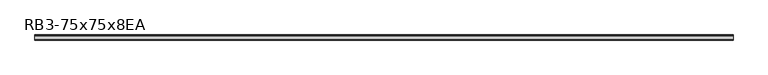
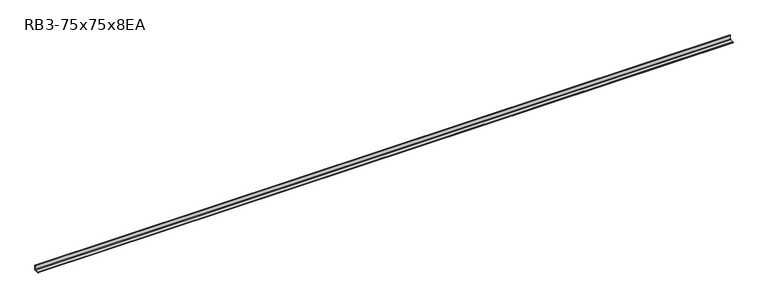
"""IFC4 building model written with IfcOpenShell, lengths in millimetres: member geometry, RB3-75x75x8EA."""

from ifc_helpers import new_model, si_unit, point, frame, frame_2d, origin, place, context, project, spatial, polyline, circle_curve, trimmed, segment, composite_curve, outline, extrude, source, transform, mapped, element, save


def rb3_75x75x8ea_8d33460c(model_context):
    return source(origin(), model_context, "Body", "SweptSolid", [
        extrude(outline(composite_curve([segment(polyline([(21.3, -21.3), (-53.7, -21.3), (-53.7, -18.3)]), True, "CONTINUOUS"), segment(trimmed(circle_curve(frame_2d((-48.7, -18.3)), 5.0), [point((-53.7, -18.3))], [point((-48.7, -13.3))], False, "CARTESIAN"), True, "CONTINUOUS"), segment(polyline([(-48.7, -13.3), (5.3, -13.3)]), True, "CONTINUOUS"), segment(trimmed(circle_curve(frame_2d((5.3, -5.3)), 8.0), [point((5.3, -13.3))], [point((13.3, -5.3))], True, "CARTESIAN"), True, "CONTINUOUS"), segment(polyline([(13.3, -5.3), (13.3, 48.7)]), True, "CONTINUOUS"), segment(trimmed(circle_curve(frame_2d((18.3, 48.7)), 5.0), [point((13.3, 48.7))], [point((18.3, 53.7))], False, "CARTESIAN"), True, "CONTINUOUS"), segment(polyline([(18.3, 53.7), (21.3, 53.7), (21.3, -21.3)]), True, "CONTINUOUS")], self_intersect=False)), frame((-5084.0, 0.0, 0.0), z_axis=(1.0, 0.0, 0.0), x_axis=(0.0, 1.0, 0.0)), (0.0, 0.0, 1.0), 10182.0),
    ])


if __name__ == "__main__":
    model = new_model("IFC4")
    model_context = context("Model", 3, world=origin())
    ifc_project = project(units=[si_unit("LENGTHUNIT", "METRE", prefix="MILLI")], contexts=[model_context])
    site = spatial("IfcSite", under=ifc_project)
    building = spatial("IfcBuilding", under=site)
    placement = place(None, origin())
    rb3_75x75x8ea_shape = rb3_75x75x8ea_8d33460c(model_context)
    element("IfcMember", 1, ObjectType="RB3-75x75x8EA", at=placement, inside=building, context=model_context, shape_type="MappedRepresentation", body=[
        mapped(rb3_75x75x8ea_shape, transform((0.0, 0.0, 0.0), x_axis=(1.0, 0.0, 0.0), y_axis=(0.0, 1.0, 0.0), z_axis=(0.0, 0.0, 1.0))),
    ])
    save(model, "model.ifc")
